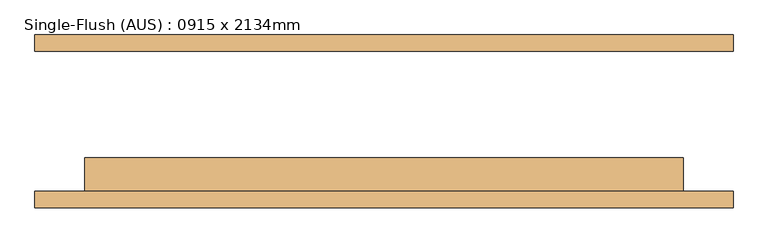
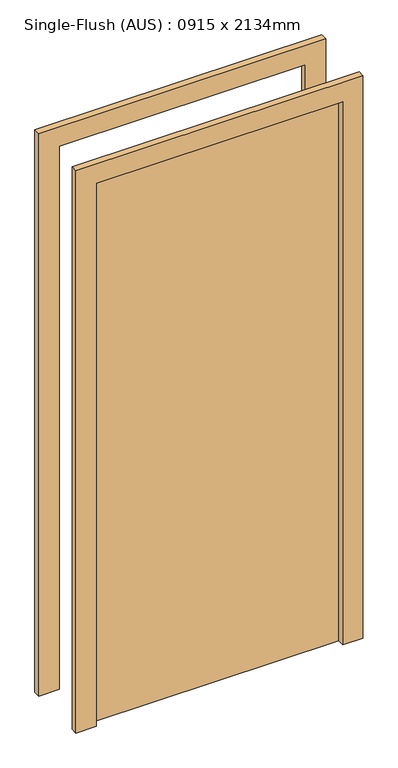
"""IFC4 building model written with IfcOpenShell, lengths in millimetres: door geometry, Single-Flush (AUS) : 0915 x 2134mm."""

from ifc_helpers import new_model, si_unit, frame, origin, origin_with_axes, place, context, project, spatial, polyline, outline, extrude, source, transform, mapped, element, save


def single_flush_aus_0915_x_2134mm_14910d13(model_context):
    return source(origin(), model_context, "Body", "SweptSolid", [
        extrude(outline(polyline([(2210.0, -533.5), (0.0, -533.5), (0.0, -457.5), (2134.0, -457.5), (2134.0, 457.5), (0.0, 457.5), (0.0, 533.5), (2210.0, 533.5), (2210.0, -533.5)])), frame((0.0, -132.0, 0.0), z_axis=(0.0, 1.0, 0.0), x_axis=(0.0, 0.0, 1.0)), (0.0, 0.0, 1.0), 25.0),
        extrude(outline(polyline([(2210.0, 533.5), (2210.0, -533.5), (0.0, -533.5), (0.0, -457.5), (2134.0, -457.5), (2134.0, 457.5), (0.0, 457.5), (0.0, 533.5), (2210.0, 533.5)])), frame((0.0, 107.0, 0.0), z_axis=(0.0, 1.0, 0.0), x_axis=(0.0, 0.0, 1.0)), (0.0, 0.0, 1.0), 25.0),
        extrude(outline(polyline([(457.5, -56.0), (457.5, -107.0), (-457.5, -107.0), (-457.5, -56.0), (457.5, -56.0)])), origin_with_axes(), (0.0, 0.0, 1.0), 2134.0),
    ])


if __name__ == "__main__":
    model = new_model("IFC4")
    model_context = context("Model", 3, world=origin())
    ifc_project = project(units=[si_unit("LENGTHUNIT", "METRE", prefix="MILLI")], contexts=[model_context])
    site = spatial("IfcSite", under=ifc_project)
    building = spatial("IfcBuilding", under=site)
    placement = place(None, origin())
    single_flush_aus_0915_x_2134mm_shape = single_flush_aus_0915_x_2134mm_14910d13(model_context)
    element("IfcDoor", 1, ObjectType="Single-Flush (AUS) : 0915 x 2134mm", at=placement, inside=building, context=model_context, shape_type="MappedRepresentation", body=[
        mapped(single_flush_aus_0915_x_2134mm_shape, transform((0.0, 0.0, 0.0), x_axis=(1.0, 0.0, 0.0), y_axis=(0.0, 1.0, 0.0), z_axis=(0.0, 0.0, 1.0))),
    ])
    save(model, "model.ifc")
